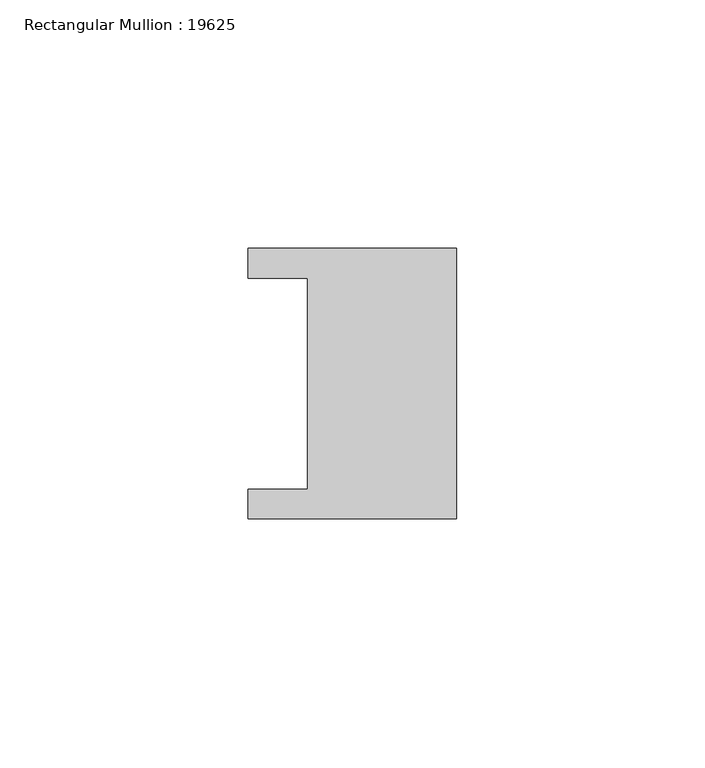
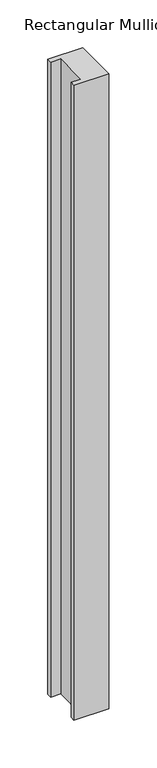
"""IFC4 building model written with IfcOpenShell, lengths in millimetres: member geometry, Rectangular Mullion : 19625."""

from ifc_helpers import new_model, si_unit, frame, origin, place, context, project, spatial, polyline, outline, extrude, source, transform, mapped, element, save


def rectangular_mullion_19625_5dbf3415(model_context):
    return source(origin(), model_context, "Body", "SweptSolid", [
        extrude(outline(polyline([(0.0, -27.25), (-42.0, -27.25), (-42.0, -21.25), (-30.0, -21.25), (-30.0, 21.25), (-42.0, 21.25), (-42.0, 27.25), (0.0, 27.25), (0.0, -27.25)])), frame((0.0, 0.0, -810.0), z_axis=(0.0, 0.0, 1.0), x_axis=(1.0, 0.0, 0.0)), (0.0, 0.0, 1.0), 810.0),
    ])


if __name__ == "__main__":
    model = new_model("IFC4")
    model_context = context("Model", 3, world=origin())
    ifc_project = project(units=[si_unit("LENGTHUNIT", "METRE", prefix="MILLI")], contexts=[model_context])
    site = spatial("IfcSite", under=ifc_project)
    building = spatial("IfcBuilding", under=site)
    placement = place(None, origin())
    rectangular_mullion_19625_shape = rectangular_mullion_19625_5dbf3415(model_context)
    element("IfcMember", 1, ObjectType="Rectangular Mullion : 19625", at=placement, inside=building, context=model_context, shape_type="MappedRepresentation", body=[
        mapped(rectangular_mullion_19625_shape, transform((0.0, 0.0, 0.0), x_axis=(1.0, 0.0, 0.0), y_axis=(0.0, 1.0, 0.0), z_axis=(0.0, 0.0, 1.0))),
    ])
    save(model, "model.ifc")
